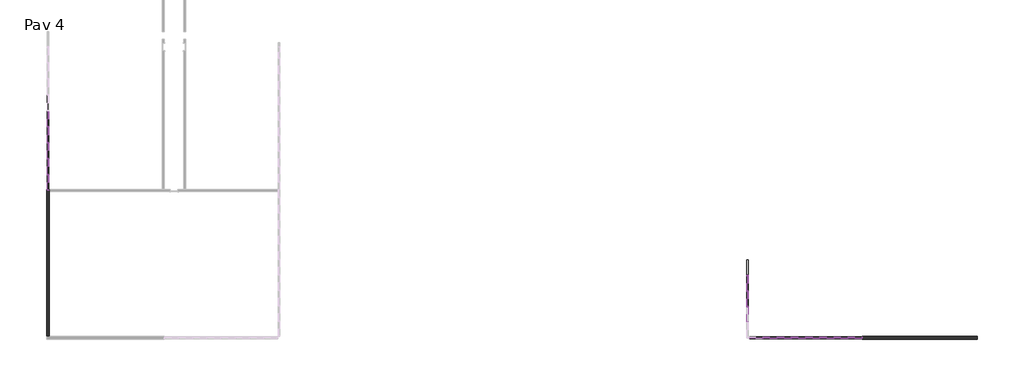
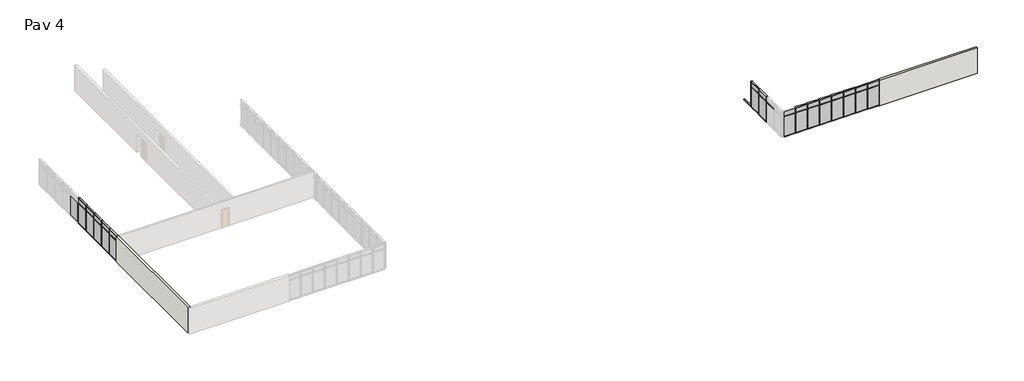
# One storey, part 2 of 12: 77 members, 31 plates, 2 walls.
"""IFC4 building model written with IfcOpenShell, lengths in millimetres."""

import ifcopenshell
import ifcopenshell.guid

model = None  # the IFC model being written
_history = None  # IfcOwnerHistory: only IFC2X3 demands one
_inside = {}  # id of a spatial element -> (the spatial element, [elements in it])
_under = {}  # id of a project, library or spatial element -> (it, [spatial elements below it])
_declared = {}  # id of a project -> (the project, [libraries it declares])
_typed = {}  # id of a type object -> (the type object, [elements of that type])
_made_of = {}  # id of a material, layer set ... -> (it, [elements and type objects made of it])


def new_model(schema):
    """Start an empty IFC model of exactly this schema.

    Asked for "IFC4X3", IfcOpenShell would pick the latest addendum, in which some entities
    have other attributes; the version numbers below select the first issue.
    IFC2X3 requires an IfcOwnerHistory on every rooted entity: one is made here for all.
    """
    global model, _history
    if schema == "IFC4X3":
        model = ifcopenshell.file(schema_version=(4, 3, 0, 0))
    else:
        model = ifcopenshell.file(schema=schema)
    _inside.clear()
    _under.clear()
    _declared.clear()
    _typed.clear()
    _made_of.clear()
    _history = None
    if model.schema == "IFC2X3":
        org = make("IfcOrganization", Name="unknown")
        user = make(
            "IfcPersonAndOrganization",
            ThePerson=make("IfcPerson", FamilyName="unknown"),
            TheOrganization=org,
        )
        app = make(
            "IfcApplication",
            ApplicationDeveloper=org,
            Version="unknown",
            ApplicationFullName="unknown",
            ApplicationIdentifier="unknown",
        )
        _history = make(
            "IfcOwnerHistory",
            OwningUser=user,
            OwningApplication=app,
            ChangeAction="ADDED",
            CreationDate=0,
        )
    return model


def make(cls, **values):
    """One entity of the class cls with the attributes given. An attribute that is None is left unset."""
    return model.create_entity(
        cls, **{name: value for name, value in values.items() if value is not None}
    )


def rooted(cls, **values):
    """An entity with a GlobalId (a new one), such as an element, a storey or a relation."""
    return make(cls, GlobalId=ifcopenshell.guid.new(), OwnerHistory=_history, **values)


def si_unit(unit_type, name, prefix=None):
    """IfcSIUnit, for example si_unit("LENGTHUNIT", "METRE", prefix="MILLI")."""
    return make("IfcSIUnit", UnitType=unit_type, Prefix=prefix, Name=name)


def assignment(units):
    """IfcUnitAssignment: the units of a project."""
    return None if units is None else make("IfcUnitAssignment", Units=units)


def point(xyz):
    """IfcCartesianPoint."""
    return None if xyz is None else make("IfcCartesianPoint", Coordinates=xyz)


def direction(xyz):
    """IfcDirection."""
    return None if xyz is None else make("IfcDirection", DirectionRatios=xyz)


def frame(location, z_axis=None, x_axis=None):
    """IfcAxis2Placement3D, a coordinate frame: its origin and axes. An axis left out is left unset."""
    return make(
        "IfcAxis2Placement3D",
        Location=point(location),
        Axis=direction(z_axis),
        RefDirection=direction(x_axis),
    )


def origin():
    """The frame at (0, 0, 0) with its axes left unset."""
    return frame((0.0, 0.0, 0.0))


def origin_with_axes():
    """The frame at (0, 0, 0) with the z axis (0, 0, 1) and the x axis (1, 0, 0) written out."""
    return frame((0.0, 0.0, 0.0), z_axis=(0.0, 0.0, 1.0), x_axis=(1.0, 0.0, 0.0))


def place(relative_to, where):
    """IfcLocalPlacement: puts the frame where relative to a parent placement (None: the world)."""
    return make(
        "IfcLocalPlacement", PlacementRelTo=relative_to, RelativePlacement=where
    )


def context(
    kind, dimensions, precision=None, world=None, true_north=None, identifier=None
):
    """IfcGeometricRepresentationContext, for example the 3D "Model" context."""
    return make(
        "IfcGeometricRepresentationContext",
        ContextIdentifier=identifier,
        ContextType=kind,
        CoordinateSpaceDimension=dimensions,
        Precision=precision,
        WorldCoordinateSystem=world,
        TrueNorth=true_north,
    )


def project(units=None, contexts=None):
    """IfcProject with its units and contexts."""
    return rooted(
        "IfcProject",
        Name="project",
        RepresentationContexts=contexts,
        UnitsInContext=assignment(units),
    )


def spatial(cls, under=None, at=None, **own):
    """A site, building, storey or space (cls), placed at a placement, below another one or the project."""
    s = rooted(cls, ObjectPlacement=at, **own)
    if under is not None:
        _under.setdefault(under.id(), (under, []))[1].append(s)
    return s


def polyline(points):
    """IfcPolyline through the points."""
    return make("IfcPolyline", Points=[point(p) for p in points])


def outline(outer, holes=None, kind="AREA"):
    """IfcArbitraryClosedProfileDef: a profile drawn as a closed curve; with holes, ...WithVoids."""
    if holes is None:
        return make("IfcArbitraryClosedProfileDef", ProfileType=kind, OuterCurve=outer)
    return make(
        "IfcArbitraryProfileDefWithVoids",
        ProfileType=kind,
        OuterCurve=outer,
        InnerCurves=holes,
    )


def extrude(swept, where, along, depth):
    """IfcExtrudedAreaSolid: the profile swept, set in the frame where, extruded along a direction by depth."""
    return make(
        "IfcExtrudedAreaSolid",
        SweptArea=swept,
        Position=where,
        ExtrudedDirection=direction(along),
        Depth=depth,
    )


def faces_of(points, faces, orient=None, outer=None):
    """IfcFace entities. A face is a list of loops; a loop is a list of indices into points, from 0.

    orient and outer hold one flag for each loop. By default every Orientation is true, the
    first loop of a face is its IfcFaceOuterBound and the others are IfcFaceBound.
    """
    made = []
    for i, loops in enumerate(faces):
        bounds = []
        for j, loop in enumerate(loops):
            is_outer = j == 0 if outer is None else outer[i][j]
            bounds.append(
                make(
                    "IfcFaceOuterBound" if is_outer else "IfcFaceBound",
                    Bound=make("IfcPolyLoop", Polygon=[points[k] for k in loop]),
                    Orientation=True if orient is None else orient[i][j],
                )
            )
        made.append(make("IfcFace", Bounds=bounds))
    return made


def faceted_brep(points, faces, orient=None, outer=None, voids=None):
    """IfcFacetedBrep: a solid bounded by flat faces; with voids (closed shells), ...WithVoids."""
    shared = [point(p) for p in points]
    hull = make("IfcClosedShell", CfsFaces=faces_of(shared, faces, orient, outer))
    if voids is None:
        return make("IfcFacetedBrep", Outer=hull)
    return make(
        "IfcFacetedBrepWithVoids",
        Outer=hull,
        Voids=[
            make(cls, CfsFaces=faces_of(shared, fs, o, b)) for cls, fs, o, b in voids
        ],
    )


def shape(context_of_items, identifier, shape_type, items):
    """IfcShapeRepresentation: the items that make up one representation, for example the "Body"."""
    return make(
        "IfcShapeRepresentation",
        ContextOfItems=context_of_items,
        RepresentationIdentifier=identifier,
        RepresentationType=shape_type,
        Items=items,
    )


def source(mapping_origin, context_of_items, identifier, shape_type, items):
    """IfcRepresentationMap: a shape defined once, which mapped items show again and again."""
    return make(
        "IfcRepresentationMap",
        MappingOrigin=mapping_origin,
        MappedRepresentation=shape(context_of_items, identifier, shape_type, items),
    )


def transform(
    local_origin,
    x_axis=None,
    y_axis=None,
    z_axis=None,
    scale=None,
    scale2=None,
    scale3=None,
    uniform=True,
):
    """IfcCartesianTransformationOperator3D, or its non-uniform kind. x_axis, y_axis, z_axis: its Axis1, 2, 3."""
    if uniform:
        return make(
            "IfcCartesianTransformationOperator3D",
            Axis1=direction(x_axis),
            Axis2=direction(y_axis),
            LocalOrigin=point(local_origin),
            Scale=scale,
            Axis3=direction(z_axis),
        )
    return make(
        "IfcCartesianTransformationOperator3DnonUniform",
        Axis1=direction(x_axis),
        Axis2=direction(y_axis),
        LocalOrigin=point(local_origin),
        Scale=scale,
        Axis3=direction(z_axis),
        Scale2=scale2,
        Scale3=scale3,
    )


def mapped(mapping_source, mapping_target):
    """IfcMappedItem: shows the shape of a source again, moved by a transform."""
    return make(
        "IfcMappedItem", MappingSource=mapping_source, MappingTarget=mapping_target
    )


def made_of(thing, what):
    """Note that an element or type object is made of a material, layer set ...; save() writes the relation."""
    if what is not None:
        _made_of.setdefault(what.id(), (what, []))[1].append(thing)
    return thing


def element(
    cls,
    number,
    at=None,
    inside=None,
    cuts=None,
    type_object=None,
    material=None,
    context=None,
    identifier="Body",
    shape_type=None,
    held_by="IfcProductDefinitionShape",
    body=None,
    shapes=None,
    **own,
):
    """One element of the class cls, such as IfcWall. Its Tag is "e" and its number.

    at: its placement. inside: the storey or other place that contains it. cuts: it is an
    opening in that element (IfcRelVoidsElement). A single representation is given by context,
    identifier, shape_type and body (its items); several are given by shapes. held_by: the class
    of the entity that holds the representations. save() writes the other relations.
    """
    e = rooted(cls, Tag="e%d" % number, ObjectPlacement=at, **own)
    if body is not None:
        shapes = [shape(context, identifier, shape_type, body)]
    if shapes is not None:
        e.Representation = make(held_by, Representations=shapes)
    if inside is not None:
        _inside.setdefault(inside.id(), (inside, []))[1].append(e)
    if cuts is not None:
        rooted(
            "IfcRelVoidsElement", RelatingBuildingElement=cuts, RelatedOpeningElement=e
        )
    if type_object is not None:
        _typed.setdefault(type_object.id(), (type_object, []))[1].append(e)
    return made_of(e, material)


def aggregate(whole, parts):
    """IfcRelAggregates: a whole, such as a stair, and the parts it consists of."""
    return rooted("IfcRelAggregates", RelatingObject=whole, RelatedObjects=parts)


def save(model, path):
    """Write the relations noted so far, then the file.

    IfcRelAggregates (storeys below a building ...), IfcRelContainedInSpatialStructure (elements
    in a storey), IfcRelDefinesByType, IfcRelAssociatesMaterial and IfcRelDeclares: one each for
    every whole, place, type object, material and project.
    """
    for whole, parts in _under.values():
        aggregate(whole, parts)
    for where, things in _inside.values():
        rooted(
            "IfcRelContainedInSpatialStructure",
            RelatedElements=things,
            RelatingStructure=where,
        )
    for kind, things in _typed.values():
        rooted("IfcRelDefinesByType", RelatedObjects=things, RelatingType=kind)
    for what, things in _made_of.values():
        rooted("IfcRelAssociatesMaterial", RelatedObjects=things, RelatingMaterial=what)
    for by, libraries in _declared.values():
        rooted("IfcRelDeclares", RelatingContext=by, RelatedDefinitions=libraries)
    model.write(path)


def rectangular_mullion_50_x_150mm_6225e4e3(model_context):
    return source(origin(), model_context, "Body", "SweptSolid", [
        extrude(outline(polyline([(25.0, 75.0), (25.0, -75.0), (-25.0, -75.0), (-25.0, 75.0), (25.0, 75.0)])), frame((0.0, 0.0, -2400.0), z_axis=(0.0, 0.0, 1.0), x_axis=(1.0, 0.0, 0.0)), (0.0, 0.0, 1.0), 2400.0),
    ])


def rectangular_mullion_50_x_150mm_662c37b1(model_context):
    return source(origin(), model_context, "Body", "SweptSolid", [
        extrude(outline(polyline([(0.0, 75.0), (0.0, -75.0), (-50.0, -75.0), (-50.0, 75.0), (0.0, 75.0)])), frame((0.0, 0.0, -2400.0), z_axis=(0.0, 0.0, 1.0), x_axis=(1.0, 0.0, 0.0)), (0.0, 0.0, 1.0), 2400.0),
    ])


def rectangular_mullion_50_x_150mm_7c7b8d17(model_context):
    return source(origin(), model_context, "Body", "SweptSolid", [
        extrude(outline(polyline([(0.0, 75.0), (0.0, -75.0), (-50.0, -75.0), (-50.0, 75.0), (0.0, 75.0)])), frame((0.0, 0.0, -1423.6842105), z_axis=(0.0, 0.0, 1.0), x_axis=(1.0, 0.0, 0.0)), (0.0, 0.0, 1.0), 1423.6842105),
    ])


def rectangular_mullion_50_x_150mm_27298aca(model_context):
    return source(origin(), model_context, "Body", "SweptSolid", [
        extrude(outline(polyline([(25.0, 75.0), (25.0, -75.0), (-25.0, -75.0), (-25.0, 75.0), (25.0, 75.0)])), frame((0.0, 0.0, -1423.6842105), z_axis=(0.0, 0.0, 1.0), x_axis=(1.0, 0.0, 0.0)), (0.0, 0.0, 1.0), 1423.6842105),
    ])


def rectangular_mullion_50_x_150mm_59cbe5eb(model_context):
    return source(origin(), model_context, "Body", "SweptSolid", [
        extrude(outline(polyline([(0.0, 75.0), (0.0, -75.0), (-50.0, -75.0), (-50.0, 75.0), (0.0, 75.0)])), frame((0.0, 0.0, -1262.5), z_axis=(0.0, 0.0, 1.0), x_axis=(1.0, 0.0, 0.0)), (0.0, 0.0, 1.0), 1262.5),
    ])


def rectangular_mullion_50_x_150mm_72ba9142(model_context):
    return source(origin(), model_context, "Body", "SweptSolid", [
        extrude(outline(polyline([(0.0, 75.0), (0.0, -75.0), (-50.0, -75.0), (-50.0, 75.0), (0.0, 75.0)])), frame((0.0, 0.0, -1287.5), z_axis=(0.0, 0.0, 1.0), x_axis=(1.0, 0.0, 0.0)), (0.0, 0.0, 1.0), 1287.5),
    ])


def rectangular_mullion_50_x_150mm_aec1dccf(model_context):
    return source(origin(), model_context, "Body", "SweptSolid", [
        extrude(outline(polyline([(25.0, 75.0), (25.0, -75.0), (-25.0, -75.0), (-25.0, 75.0), (25.0, 75.0)])), frame((0.0, 0.0, -1262.5), z_axis=(0.0, 0.0, 1.0), x_axis=(1.0, 0.0, 0.0)), (0.0, 0.0, 1.0), 1262.5),
    ])


def rectangular_mullion_50_x_150mm_9d32843e(model_context):
    return source(origin(), model_context, "Body", "SweptSolid", [
        extrude(outline(polyline([(25.0, 75.0), (25.0, -75.0), (-25.0, -75.0), (-25.0, 75.0), (25.0, 75.0)])), frame((0.0, 0.0, -1287.5), z_axis=(0.0, 0.0, 1.0), x_axis=(1.0, 0.0, 0.0)), (0.0, 0.0, 1.0), 1287.5),
    ])


def rectangular_mullion_50_x_150mm_68b3818a(model_context):
    return source(origin(), model_context, "Body", "SweptSolid", [
        extrude(outline(polyline([(25.0, 75.0), (25.0, -75.0), (-25.0, -75.0), (-25.0, 75.0), (25.0, 75.0)])), frame((0.0, 0.0, -600.0), z_axis=(0.0, 0.0, 1.0), x_axis=(1.0, 0.0, 0.0)), (0.0, 0.0, 1.0), 600.0),
    ])


def rectangular_mullion_50_x_150mm_64d38db8(model_context):
    return source(origin(), model_context, "Body", "SweptSolid", [
        extrude(outline(polyline([(0.0, 75.0), (0.0, -75.0), (-50.0, -75.0), (-50.0, 75.0), (0.0, 75.0)])), frame((0.0, 0.0, -600.0), z_axis=(0.0, 0.0, 1.0), x_axis=(1.0, 0.0, 0.0)), (0.0, 0.0, 1.0), 600.0),
    ])


def rectangular_mullion_50_x_150mm_8c5504e9(model_context):
    return source(origin(), model_context, "Body", "SweptSolid", [
        extrude(outline(polyline([(0.0, 75.0), (0.0, -75.0), (-50.0, -75.0), (-50.0, 75.0), (0.0, 75.0)])), frame((0.0, 0.0, -1430.004786), z_axis=(0.0, 0.0, 1.0), x_axis=(1.0, 0.0, 0.0)), (0.0, 0.0, 1.0), 1430.004786),
    ])


def rectangular_mullion_50_x_150mm_08838235(model_context):
    return source(origin(), model_context, "Body", "SweptSolid", [
        extrude(outline(polyline([(0.0, 75.0), (0.0, -75.0), (-50.0, -75.0), (-50.0, 75.0), (0.0, 75.0)])), frame((0.0, 0.0, -1455.004786), z_axis=(0.0, 0.0, 1.0), x_axis=(1.0, 0.0, 0.0)), (0.0, 0.0, 1.0), 1455.004786),
    ])


def rectangular_mullion_50_x_150mm_89597607(model_context):
    return source(origin(), model_context, "Body", "SweptSolid", [
        extrude(outline(polyline([(25.0, 75.0), (25.0, -75.0), (-25.0, -75.0), (-25.0, 75.0), (25.0, 75.0)])), frame((0.0, 0.0, -1430.004786), z_axis=(0.0, 0.0, 1.0), x_axis=(1.0, 0.0, 0.0)), (0.0, 0.0, 1.0), 1430.004786),
    ])


def rectangular_mullion_50_x_150mm_0216ed1d(model_context):
    return source(origin(), model_context, "Body", "SweptSolid", [
        extrude(outline(polyline([(25.0, 75.0), (25.0, -75.0), (-25.0, -75.0), (-25.0, 75.0), (25.0, 75.0)])), frame((0.0, 0.0, -1455.004786), z_axis=(0.0, 0.0, 1.0), x_axis=(1.0, 0.0, 0.0)), (0.0, 0.0, 1.0), 1455.004786),
    ])


def system_panel_glazed_e350fe68(model_context):
    return source(origin(), model_context, "Body", "SweptSolid", [
        extrude(outline(polyline([(711.8421053, 24.5), (-711.8421053, 24.5), (-711.8421053, 49.5), (711.8421053, 49.5), (711.8421053, 24.5)])), origin_with_axes(), (0.0, 0.0, 1.0), 2325.0),
    ])


def system_panel_glazed_5dd155e4(model_context):
    return source(origin(), model_context, "Body", "SweptSolid", [
        extrude(outline(polyline([(631.25, 24.5), (-631.25, 24.5), (-631.25, 49.5), (631.25, 49.5), (631.25, 24.5)])), origin_with_axes(), (0.0, 0.0, 1.0), 2325.0),
    ])


def system_panel_glazed_bb5f2c3c(model_context):
    return source(origin(), model_context, "Body", "SweptSolid", [
        extrude(outline(polyline([(643.75, 24.5), (-643.75, 24.5), (-643.75, 49.5), (643.75, 49.5), (643.75, 24.5)])), origin_with_axes(), (0.0, 0.0, 1.0), 2325.0),
    ])


def system_panel_glazed_1a448b86(model_context):
    return source(origin(), model_context, "Body", "SweptSolid", [
        extrude(outline(polyline([(715.002393, 24.5), (-715.002393, 24.5), (-715.002393, 49.5), (715.002393, 49.5), (715.002393, 24.5)])), origin_with_axes(), (0.0, 0.0, 1.0), 2325.0),
    ])


def system_panel_glazed_10c4ced8(model_context):
    return source(origin(), model_context, "Body", "SweptSolid", [
        extrude(outline(polyline([(727.502393, 24.5), (-727.502393, 24.5), (-727.502393, 49.5), (727.502393, 49.5), (727.502393, 24.5)])), origin_with_axes(), (0.0, 0.0, 1.0), 2325.0),
    ])


def system_panel_glazed_02dfb2dd(model_context):
    return source(origin(), model_context, "Body", "SweptSolid", [
        extrude(outline(polyline([(631.25, 24.5), (-631.25, 24.5), (-631.25, 49.5), (631.25, 49.5), (631.25, 24.5)])), origin_with_axes(), (0.0, 0.0, 1.0), 525.0),
    ])


def system_panel_glazed_a7b8456a(model_context):
    return source(origin(), model_context, "Body", "SweptSolid", [
        extrude(outline(polyline([(643.75, 24.5), (-643.75, 24.5), (-643.75, 49.5), (643.75, 49.5), (643.75, 24.5)])), origin_with_axes(), (0.0, 0.0, 1.0), 525.0),
    ])


def system_panel_glazed_b8c7c870(model_context):
    return source(origin(), model_context, "Body", "SweptSolid", [
        extrude(outline(polyline([(711.8421053, 24.5), (-711.8421053, 24.5), (-711.8421053, 49.5), (711.8421053, 49.5), (711.8421053, 24.5)])), origin_with_axes(), (0.0, 0.0, 1.0), 525.0),
    ])


def system_panel_glazed_cd85d9b8(model_context):
    return source(origin(), model_context, "Body", "SweptSolid", [
        extrude(outline(polyline([(715.002393, 24.5), (-715.002393, 24.5), (-715.002393, 49.5), (715.002393, 49.5), (715.002393, 24.5)])), origin_with_axes(), (0.0, 0.0, 1.0), 525.0),
    ])


def system_panel_glazed_a34e629e(model_context):
    return source(origin(), model_context, "Body", "SweptSolid", [
        extrude(outline(polyline([(727.502393, 24.5), (-727.502393, 24.5), (-727.502393, 49.5), (727.502393, 49.5), (727.502393, 24.5)])), origin_with_axes(), (0.0, 0.0, 1.0), 525.0),
    ])


model = new_model("IFC4")

# Units and contexts
model_context = context("Model", 3, world=origin())
ifc_project = project(units=[si_unit("LENGTHUNIT", "METRE", prefix="MILLI")], contexts=[model_context])

# Site, building, storey
site = spatial("IfcSite", under=ifc_project)
building = spatial("IfcBuilding", under=site)
storey = spatial("IfcBuildingStorey", under=building, Name="Pav 4", Elevation=16000.0)

# Members
placement = place(None, origin())
rectangular_mullion_50_x_150mm_shape = rectangular_mullion_50_x_150mm_6225e4e3(model_context)
element("IfcMember", 1, ObjectType="Rectangular Mullion : 50 x 150mm", at=placement, inside=storey, context=model_context, shape_type="MappedRepresentation", body=[
    mapped(rectangular_mullion_50_x_150mm_shape, transform((40900.1359883, -6407.6561793, 16000.0), x_axis=(-1.0, 0.0, 0.0), y_axis=(0.0, 1.0, 0.0), z_axis=(0.0, 0.0, -1.0))),
])
element("IfcMember", 2, ObjectType="Rectangular Mullion : 50 x 150mm", at=placement, inside=storey, context=model_context, shape_type="MappedRepresentation", body=[
    mapped(rectangular_mullion_50_x_150mm_shape, transform((39562.6359883, -6407.6561793, 16000.0), x_axis=(-1.0, 0.0, 0.0), y_axis=(0.0, 1.0, 0.0), z_axis=(0.0, 0.0, -1.0))),
])
element("IfcMember", 3, ObjectType="Rectangular Mullion : 50 x 150mm", at=placement, inside=storey, context=model_context, shape_type="MappedRepresentation", body=[
    mapped(rectangular_mullion_50_x_150mm_shape, transform((38225.1359883, -6407.6561793, 16000.0), x_axis=(-1.0, 0.0, 0.0), y_axis=(0.0, 1.0, 0.0), z_axis=(0.0, 0.0, -1.0))),
])
element("IfcMember", 4, ObjectType="Rectangular Mullion : 50 x 150mm", at=placement, inside=storey, context=model_context, shape_type="MappedRepresentation", body=[
    mapped(rectangular_mullion_50_x_150mm_shape, transform((36887.6359883, -6407.6561793, 16000.0), x_axis=(-1.0, 0.0, 0.0), y_axis=(0.0, 1.0, 0.0), z_axis=(0.0, 0.0, -1.0))),
])
element("IfcMember", 5, ObjectType="Rectangular Mullion : 50 x 150mm", at=placement, inside=storey, context=model_context, shape_type="MappedRepresentation", body=[
    mapped(rectangular_mullion_50_x_150mm_shape, transform((35550.1359883, -6407.6561793, 16000.0), x_axis=(-1.0, 0.0, 0.0), y_axis=(0.0, 1.0, 0.0), z_axis=(0.0, 0.0, -1.0))),
])
element("IfcMember", 6, ObjectType="Rectangular Mullion : 50 x 150mm", at=placement, inside=storey, context=model_context, shape_type="MappedRepresentation", body=[
    mapped(rectangular_mullion_50_x_150mm_shape, transform((34212.6359883, -6407.6561793, 16000.0), x_axis=(-1.0, 0.0, 0.0), y_axis=(0.0, 1.0, 0.0), z_axis=(0.0, 0.0, -1.0))),
])
element("IfcMember", 7, ObjectType="Rectangular Mullion : 50 x 150mm", at=placement, inside=storey, context=model_context, shape_type="MappedRepresentation", body=[
    mapped(rectangular_mullion_50_x_150mm_shape, transform((32875.1359883, -6407.6561793, 16000.0), x_axis=(-1.0, 0.0, 0.0), y_axis=(0.0, 1.0, 0.0), z_axis=(0.0, 0.0, -1.0))),
])
element("IfcMember", 8, ObjectType="Rectangular Mullion : 50 x 150mm", at=placement, inside=storey, context=model_context, shape_type="MappedRepresentation", body=[
    mapped(rectangular_mullion_50_x_150mm_shape, transform((31437.6359883, -3460.2877583, 16000.0), x_axis=(0.0, 1.0, 0.0), y_axis=(1.0, 0.0, 0.0), z_axis=(0.0, 0.0, -1.0))),
])
element("IfcMember", 9, ObjectType="Rectangular Mullion : 50 x 150mm", at=placement, inside=storey, context=model_context, shape_type="MappedRepresentation", body=[
    mapped(rectangular_mullion_50_x_150mm_shape, transform((31437.6359883, -1986.6035478, 16000.0), x_axis=(0.0, 1.0, 0.0), y_axis=(1.0, 0.0, 0.0), z_axis=(0.0, 0.0, -1.0))),
])
element("IfcMember", 10, ObjectType="Rectangular Mullion : 50 x 150mm", at=placement, inside=storey, context=model_context, shape_type="MappedRepresentation", body=[
    mapped(rectangular_mullion_50_x_150mm_shape, transform((31437.6359883, -512.9193372, 16000.0), x_axis=(0.0, 1.0, 0.0), y_axis=(1.0, 0.0, 0.0), z_axis=(0.0, 0.0, -1.0))),
])
element("IfcMember", 11, ObjectType="Rectangular Mullion : 50 x 150mm", at=placement, inside=storey, context=model_context, shape_type="MappedRepresentation", body=[
    mapped(rectangular_mullion_50_x_150mm_shape, transform((-34562.3640117, 8997.3486066, 16000.0), x_axis=(0.0, 1.0, 0.0), y_axis=(1.0, 0.0, 0.0), z_axis=(0.0, 0.0, -1.0))),
])
element("IfcMember", 12, ObjectType="Rectangular Mullion : 50 x 150mm", at=placement, inside=storey, context=model_context, shape_type="MappedRepresentation", body=[
    mapped(rectangular_mullion_50_x_150mm_shape, transform((-34562.3640117, 10502.3533926, 16000.0), x_axis=(0.0, 1.0, 0.0), y_axis=(1.0, 0.0, 0.0), z_axis=(0.0, 0.0, -1.0))),
])
element("IfcMember", 13, ObjectType="Rectangular Mullion : 50 x 150mm", at=placement, inside=storey, context=model_context, shape_type="MappedRepresentation", body=[
    mapped(rectangular_mullion_50_x_150mm_shape, transform((-34562.3640117, 12007.3581786, 16000.0), x_axis=(0.0, 1.0, 0.0), y_axis=(1.0, 0.0, 0.0), z_axis=(0.0, 0.0, -1.0))),
])
element("IfcMember", 14, ObjectType="Rectangular Mullion : 50 x 150mm", at=placement, inside=storey, context=model_context, shape_type="MappedRepresentation", body=[
    mapped(rectangular_mullion_50_x_150mm_shape, transform((-34562.3640117, 13512.3629645, 16000.0), x_axis=(0.0, 1.0, 0.0), y_axis=(1.0, 0.0, 0.0), z_axis=(0.0, 0.0, -1.0))),
])
rectangular_mullion_50_x_150mm_2_shape = rectangular_mullion_50_x_150mm_662c37b1(model_context)
element("IfcMember", 15, ObjectType="Rectangular Mullion : 50 x 150mm", at=placement, inside=storey, context=model_context, shape_type="MappedRepresentation", body=[
    mapped(rectangular_mullion_50_x_150mm_2_shape, transform((42237.6359883, -6407.6561793, 18400.0), x_axis=(1.0, 0.0, 0.0), y_axis=(0.0, 1.0, 0.0), z_axis=(0.0, 0.0, 1.0))),
])
element("IfcMember", 16, ObjectType="Rectangular Mullion : 50 x 150mm", at=placement, inside=storey, context=model_context, shape_type="MappedRepresentation", body=[
    mapped(rectangular_mullion_50_x_150mm_2_shape, transform((-34562.3640117, 7492.3438207, 18400.0), x_axis=(0.0, -1.0, 0.0), y_axis=(1.0, 0.0, 0.0), z_axis=(0.0, 0.0, 1.0))),
])
rectangular_mullion_50_x_150mm_3_shape = rectangular_mullion_50_x_150mm_7c7b8d17(model_context)
element("IfcMember", 17, ObjectType="Rectangular Mullion : 50 x 150mm", at=placement, inside=storey, context=model_context, shape_type="MappedRepresentation", body=[
    mapped(rectangular_mullion_50_x_150mm_3_shape, transform((31437.6359883, -2011.6035478, 19000.0), x_axis=(0.0, 0.0, 1.0), y_axis=(1.0, 0.0, 0.0), z_axis=(0.0, 1.0, 0.0))),
])
element("IfcMember", 18, ObjectType="Rectangular Mullion : 50 x 150mm", at=placement, inside=storey, context=model_context, shape_type="MappedRepresentation", body=[
    mapped(rectangular_mullion_50_x_150mm_3_shape, transform((31437.6359883, -537.9193372, 19000.0), x_axis=(0.0, 0.0, 1.0), y_axis=(1.0, 0.0, 0.0), z_axis=(0.0, 1.0, 0.0))),
])
element("IfcMember", 19, ObjectType="Rectangular Mullion : 50 x 150mm", at=placement, inside=storey, context=model_context, shape_type="MappedRepresentation", body=[
    mapped(rectangular_mullion_50_x_150mm_3_shape, transform((31437.6359883, -3435.2877583, 16000.0), x_axis=(0.0, 0.0, -1.0), y_axis=(1.0, 0.0, 0.0), z_axis=(0.0, -1.0, 0.0))),
])
element("IfcMember", 20, ObjectType="Rectangular Mullion : 50 x 150mm", at=placement, inside=storey, context=model_context, shape_type="MappedRepresentation", body=[
    mapped(rectangular_mullion_50_x_150mm_3_shape, transform((31437.6359883, -1961.6035478, 16000.0), x_axis=(0.0, 0.0, -1.0), y_axis=(1.0, 0.0, 0.0), z_axis=(0.0, -1.0, 0.0))),
])
element("IfcMember", 21, ObjectType="Rectangular Mullion : 50 x 150mm", at=placement, inside=storey, context=model_context, shape_type="MappedRepresentation", body=[
    mapped(rectangular_mullion_50_x_150mm_3_shape, transform((31437.6359883, -487.9193372, 16000.0), x_axis=(0.0, 0.0, -1.0), y_axis=(1.0, 0.0, 0.0), z_axis=(0.0, -1.0, 0.0))),
])
rectangular_mullion_50_x_150mm_4_shape = rectangular_mullion_50_x_150mm_27298aca(model_context)
element("IfcMember", 22, ObjectType="Rectangular Mullion : 50 x 150mm", at=placement, inside=storey, context=model_context, shape_type="MappedRepresentation", body=[
    mapped(rectangular_mullion_50_x_150mm_4_shape, transform((31437.6359883, -3485.2877583, 18400.0), x_axis=(0.0, 0.0, 1.0), y_axis=(1.0, 0.0, 0.0), z_axis=(0.0, 1.0, 0.0))),
])
element("IfcMember", 23, ObjectType="Rectangular Mullion : 50 x 150mm", at=placement, inside=storey, context=model_context, shape_type="MappedRepresentation", body=[
    mapped(rectangular_mullion_50_x_150mm_4_shape, transform((31437.6359883, -2011.6035478, 18400.0), x_axis=(0.0, 0.0, 1.0), y_axis=(1.0, 0.0, 0.0), z_axis=(0.0, 1.0, 0.0))),
])
element("IfcMember", 24, ObjectType="Rectangular Mullion : 50 x 150mm", at=placement, inside=storey, context=model_context, shape_type="MappedRepresentation", body=[
    mapped(rectangular_mullion_50_x_150mm_4_shape, transform((31437.6359883, -537.9193372, 18400.0), x_axis=(0.0, 0.0, 1.0), y_axis=(1.0, 0.0, 0.0), z_axis=(0.0, 1.0, 0.0))),
])
rectangular_mullion_50_x_150mm_5_shape = rectangular_mullion_50_x_150mm_59cbe5eb(model_context)
element("IfcMember", 25, ObjectType="Rectangular Mullion : 50 x 150mm", at=placement, inside=storey, context=model_context, shape_type="MappedRepresentation", body=[
    mapped(rectangular_mullion_50_x_150mm_5_shape, transform((40925.1359883, -6407.6561793, 19000.0), x_axis=(0.0, 0.0, 1.0), y_axis=(0.0, 1.0, 0.0), z_axis=(-1.0, 0.0, 0.0))),
])
rectangular_mullion_50_x_150mm_6_shape = rectangular_mullion_50_x_150mm_72ba9142(model_context)
element("IfcMember", 26, ObjectType="Rectangular Mullion : 50 x 150mm", at=placement, inside=storey, context=model_context, shape_type="MappedRepresentation", body=[
    mapped(rectangular_mullion_50_x_150mm_6_shape, transform((39587.6359883, -6407.6561793, 19000.0), x_axis=(0.0, 0.0, 1.0), y_axis=(0.0, 1.0, 0.0), z_axis=(-1.0, 0.0, 0.0))),
])
element("IfcMember", 27, ObjectType="Rectangular Mullion : 50 x 150mm", at=placement, inside=storey, context=model_context, shape_type="MappedRepresentation", body=[
    mapped(rectangular_mullion_50_x_150mm_6_shape, transform((38250.1359883, -6407.6561793, 19000.0), x_axis=(0.0, 0.0, 1.0), y_axis=(0.0, 1.0, 0.0), z_axis=(-1.0, 0.0, 0.0))),
])
element("IfcMember", 28, ObjectType="Rectangular Mullion : 50 x 150mm", at=placement, inside=storey, context=model_context, shape_type="MappedRepresentation", body=[
    mapped(rectangular_mullion_50_x_150mm_6_shape, transform((36912.6359883, -6407.6561793, 19000.0), x_axis=(0.0, 0.0, 1.0), y_axis=(0.0, 1.0, 0.0), z_axis=(-1.0, 0.0, 0.0))),
])
element("IfcMember", 29, ObjectType="Rectangular Mullion : 50 x 150mm", at=placement, inside=storey, context=model_context, shape_type="MappedRepresentation", body=[
    mapped(rectangular_mullion_50_x_150mm_6_shape, transform((35575.1359883, -6407.6561793, 19000.0), x_axis=(0.0, 0.0, 1.0), y_axis=(0.0, 1.0, 0.0), z_axis=(-1.0, 0.0, 0.0))),
])
element("IfcMember", 30, ObjectType="Rectangular Mullion : 50 x 150mm", at=placement, inside=storey, context=model_context, shape_type="MappedRepresentation", body=[
    mapped(rectangular_mullion_50_x_150mm_6_shape, transform((34237.6359883, -6407.6561793, 19000.0), x_axis=(0.0, 0.0, 1.0), y_axis=(0.0, 1.0, 0.0), z_axis=(-1.0, 0.0, 0.0))),
])
element("IfcMember", 31, ObjectType="Rectangular Mullion : 50 x 150mm", at=placement, inside=storey, context=model_context, shape_type="MappedRepresentation", body=[
    mapped(rectangular_mullion_50_x_150mm_6_shape, transform((32900.1359883, -6407.6561793, 19000.0), x_axis=(0.0, 0.0, 1.0), y_axis=(0.0, 1.0, 0.0), z_axis=(-1.0, 0.0, 0.0))),
])
element("IfcMember", 32, ObjectType="Rectangular Mullion : 50 x 150mm", at=placement, inside=storey, context=model_context, shape_type="MappedRepresentation", body=[
    mapped(rectangular_mullion_50_x_150mm_5_shape, transform((42187.6359883, -6407.6561793, 16000.0), x_axis=(0.0, 0.0, -1.0), y_axis=(0.0, 1.0, 0.0), z_axis=(1.0, 0.0, 0.0))),
])
element("IfcMember", 33, ObjectType="Rectangular Mullion : 50 x 150mm", at=placement, inside=storey, context=model_context, shape_type="MappedRepresentation", body=[
    mapped(rectangular_mullion_50_x_150mm_5_shape, transform((32850.1359883, -6407.6561793, 16000.0), x_axis=(0.0, 0.0, -1.0), y_axis=(0.0, 1.0, 0.0), z_axis=(1.0, 0.0, 0.0))),
])
element("IfcMember", 34, ObjectType="Rectangular Mullion : 50 x 150mm", at=placement, inside=storey, context=model_context, shape_type="MappedRepresentation", body=[
    mapped(rectangular_mullion_50_x_150mm_6_shape, transform((40875.1359883, -6407.6561793, 16000.0), x_axis=(0.0, 0.0, -1.0), y_axis=(0.0, 1.0, 0.0), z_axis=(1.0, 0.0, 0.0))),
])
element("IfcMember", 35, ObjectType="Rectangular Mullion : 50 x 150mm", at=placement, inside=storey, context=model_context, shape_type="MappedRepresentation", body=[
    mapped(rectangular_mullion_50_x_150mm_6_shape, transform((39537.6359883, -6407.6561793, 16000.0), x_axis=(0.0, 0.0, -1.0), y_axis=(0.0, 1.0, 0.0), z_axis=(1.0, 0.0, 0.0))),
])
element("IfcMember", 36, ObjectType="Rectangular Mullion : 50 x 150mm", at=placement, inside=storey, context=model_context, shape_type="MappedRepresentation", body=[
    mapped(rectangular_mullion_50_x_150mm_6_shape, transform((38200.1359883, -6407.6561793, 16000.0), x_axis=(0.0, 0.0, -1.0), y_axis=(0.0, 1.0, 0.0), z_axis=(1.0, 0.0, 0.0))),
])
element("IfcMember", 37, ObjectType="Rectangular Mullion : 50 x 150mm", at=placement, inside=storey, context=model_context, shape_type="MappedRepresentation", body=[
    mapped(rectangular_mullion_50_x_150mm_6_shape, transform((36862.6359883, -6407.6561793, 16000.0), x_axis=(0.0, 0.0, -1.0), y_axis=(0.0, 1.0, 0.0), z_axis=(1.0, 0.0, 0.0))),
])
element("IfcMember", 38, ObjectType="Rectangular Mullion : 50 x 150mm", at=placement, inside=storey, context=model_context, shape_type="MappedRepresentation", body=[
    mapped(rectangular_mullion_50_x_150mm_6_shape, transform((35525.1359883, -6407.6561793, 16000.0), x_axis=(0.0, 0.0, -1.0), y_axis=(0.0, 1.0, 0.0), z_axis=(1.0, 0.0, 0.0))),
])
element("IfcMember", 39, ObjectType="Rectangular Mullion : 50 x 150mm", at=placement, inside=storey, context=model_context, shape_type="MappedRepresentation", body=[
    mapped(rectangular_mullion_50_x_150mm_6_shape, transform((34187.6359883, -6407.6561793, 16000.0), x_axis=(0.0, 0.0, -1.0), y_axis=(0.0, 1.0, 0.0), z_axis=(1.0, 0.0, 0.0))),
])
rectangular_mullion_50_x_150mm_7_shape = rectangular_mullion_50_x_150mm_aec1dccf(model_context)
element("IfcMember", 40, ObjectType="Rectangular Mullion : 50 x 150mm", at=placement, inside=storey, context=model_context, shape_type="MappedRepresentation", body=[
    mapped(rectangular_mullion_50_x_150mm_7_shape, transform((40925.1359883, -6407.6561793, 18400.0), x_axis=(0.0, 0.0, 1.0), y_axis=(0.0, 1.0, 0.0), z_axis=(-1.0, 0.0, 0.0))),
])
rectangular_mullion_50_x_150mm_8_shape = rectangular_mullion_50_x_150mm_9d32843e(model_context)
element("IfcMember", 41, ObjectType="Rectangular Mullion : 50 x 150mm", at=placement, inside=storey, context=model_context, shape_type="MappedRepresentation", body=[
    mapped(rectangular_mullion_50_x_150mm_8_shape, transform((39587.6359883, -6407.6561793, 18400.0), x_axis=(0.0, 0.0, 1.0), y_axis=(0.0, 1.0, 0.0), z_axis=(-1.0, 0.0, 0.0))),
])
element("IfcMember", 42, ObjectType="Rectangular Mullion : 50 x 150mm", at=placement, inside=storey, context=model_context, shape_type="MappedRepresentation", body=[
    mapped(rectangular_mullion_50_x_150mm_8_shape, transform((38250.1359883, -6407.6561793, 18400.0), x_axis=(0.0, 0.0, 1.0), y_axis=(0.0, 1.0, 0.0), z_axis=(-1.0, 0.0, 0.0))),
])
element("IfcMember", 43, ObjectType="Rectangular Mullion : 50 x 150mm", at=placement, inside=storey, context=model_context, shape_type="MappedRepresentation", body=[
    mapped(rectangular_mullion_50_x_150mm_8_shape, transform((36912.6359883, -6407.6561793, 18400.0), x_axis=(0.0, 0.0, 1.0), y_axis=(0.0, 1.0, 0.0), z_axis=(-1.0, 0.0, 0.0))),
])
element("IfcMember", 44, ObjectType="Rectangular Mullion : 50 x 150mm", at=placement, inside=storey, context=model_context, shape_type="MappedRepresentation", body=[
    mapped(rectangular_mullion_50_x_150mm_8_shape, transform((35575.1359883, -6407.6561793, 18400.0), x_axis=(0.0, 0.0, 1.0), y_axis=(0.0, 1.0, 0.0), z_axis=(-1.0, 0.0, 0.0))),
])
element("IfcMember", 45, ObjectType="Rectangular Mullion : 50 x 150mm", at=placement, inside=storey, context=model_context, shape_type="MappedRepresentation", body=[
    mapped(rectangular_mullion_50_x_150mm_8_shape, transform((34237.6359883, -6407.6561793, 18400.0), x_axis=(0.0, 0.0, 1.0), y_axis=(0.0, 1.0, 0.0), z_axis=(-1.0, 0.0, 0.0))),
])
element("IfcMember", 46, ObjectType="Rectangular Mullion : 50 x 150mm", at=placement, inside=storey, context=model_context, shape_type="MappedRepresentation", body=[
    mapped(rectangular_mullion_50_x_150mm_8_shape, transform((32900.1359883, -6407.6561793, 18400.0), x_axis=(0.0, 0.0, 1.0), y_axis=(0.0, 1.0, 0.0), z_axis=(-1.0, 0.0, 0.0))),
])
rectangular_mullion_50_x_150mm_9_shape = rectangular_mullion_50_x_150mm_68b3818a(model_context)
element("IfcMember", 47, ObjectType="Rectangular Mullion : 50 x 150mm", at=placement, inside=storey, context=model_context, shape_type="MappedRepresentation", body=[
    mapped(rectangular_mullion_50_x_150mm_9_shape, transform((40900.1359883, -6407.6561793, 18400.0), x_axis=(-1.0, 0.0, 0.0), y_axis=(0.0, 1.0, 0.0), z_axis=(0.0, 0.0, -1.0))),
])
element("IfcMember", 48, ObjectType="Rectangular Mullion : 50 x 150mm", at=placement, inside=storey, context=model_context, shape_type="MappedRepresentation", body=[
    mapped(rectangular_mullion_50_x_150mm_9_shape, transform((39562.6359883, -6407.6561793, 18400.0), x_axis=(-1.0, 0.0, 0.0), y_axis=(0.0, 1.0, 0.0), z_axis=(0.0, 0.0, -1.0))),
])
element("IfcMember", 49, ObjectType="Rectangular Mullion : 50 x 150mm", at=placement, inside=storey, context=model_context, shape_type="MappedRepresentation", body=[
    mapped(rectangular_mullion_50_x_150mm_9_shape, transform((38225.1359883, -6407.6561793, 18400.0), x_axis=(-1.0, 0.0, 0.0), y_axis=(0.0, 1.0, 0.0), z_axis=(0.0, 0.0, -1.0))),
])
element("IfcMember", 50, ObjectType="Rectangular Mullion : 50 x 150mm", at=placement, inside=storey, context=model_context, shape_type="MappedRepresentation", body=[
    mapped(rectangular_mullion_50_x_150mm_9_shape, transform((36887.6359883, -6407.6561793, 18400.0), x_axis=(-1.0, 0.0, 0.0), y_axis=(0.0, 1.0, 0.0), z_axis=(0.0, 0.0, -1.0))),
])
element("IfcMember", 51, ObjectType="Rectangular Mullion : 50 x 150mm", at=placement, inside=storey, context=model_context, shape_type="MappedRepresentation", body=[
    mapped(rectangular_mullion_50_x_150mm_9_shape, transform((35550.1359883, -6407.6561793, 18400.0), x_axis=(-1.0, 0.0, 0.0), y_axis=(0.0, 1.0, 0.0), z_axis=(0.0, 0.0, -1.0))),
])
element("IfcMember", 52, ObjectType="Rectangular Mullion : 50 x 150mm", at=placement, inside=storey, context=model_context, shape_type="MappedRepresentation", body=[
    mapped(rectangular_mullion_50_x_150mm_9_shape, transform((34212.6359883, -6407.6561793, 18400.0), x_axis=(-1.0, 0.0, 0.0), y_axis=(0.0, 1.0, 0.0), z_axis=(0.0, 0.0, -1.0))),
])
element("IfcMember", 53, ObjectType="Rectangular Mullion : 50 x 150mm", at=placement, inside=storey, context=model_context, shape_type="MappedRepresentation", body=[
    mapped(rectangular_mullion_50_x_150mm_9_shape, transform((32875.1359883, -6407.6561793, 18400.0), x_axis=(-1.0, 0.0, 0.0), y_axis=(0.0, 1.0, 0.0), z_axis=(0.0, 0.0, -1.0))),
])
element("IfcMember", 54, ObjectType="Rectangular Mullion : 50 x 150mm", at=placement, inside=storey, context=model_context, shape_type="MappedRepresentation", body=[
    mapped(rectangular_mullion_50_x_150mm_9_shape, transform((31437.6359883, -3460.2877583, 18400.0), x_axis=(0.0, 1.0, 0.0), y_axis=(1.0, 0.0, 0.0), z_axis=(0.0, 0.0, -1.0))),
])
element("IfcMember", 55, ObjectType="Rectangular Mullion : 50 x 150mm", at=placement, inside=storey, context=model_context, shape_type="MappedRepresentation", body=[
    mapped(rectangular_mullion_50_x_150mm_9_shape, transform((31437.6359883, -1986.6035478, 18400.0), x_axis=(0.0, 1.0, 0.0), y_axis=(1.0, 0.0, 0.0), z_axis=(0.0, 0.0, -1.0))),
])
element("IfcMember", 56, ObjectType="Rectangular Mullion : 50 x 150mm", at=placement, inside=storey, context=model_context, shape_type="MappedRepresentation", body=[
    mapped(rectangular_mullion_50_x_150mm_9_shape, transform((31437.6359883, -512.9193372, 18400.0), x_axis=(0.0, 1.0, 0.0), y_axis=(1.0, 0.0, 0.0), z_axis=(0.0, 0.0, -1.0))),
])
element("IfcMember", 57, ObjectType="Rectangular Mullion : 50 x 150mm", at=placement, inside=storey, context=model_context, shape_type="MappedRepresentation", body=[
    mapped(rectangular_mullion_50_x_150mm_9_shape, transform((-34562.3640117, 8997.3486066, 18400.0), x_axis=(0.0, 1.0, 0.0), y_axis=(1.0, 0.0, 0.0), z_axis=(0.0, 0.0, -1.0))),
])
element("IfcMember", 58, ObjectType="Rectangular Mullion : 50 x 150mm", at=placement, inside=storey, context=model_context, shape_type="MappedRepresentation", body=[
    mapped(rectangular_mullion_50_x_150mm_9_shape, transform((-34562.3640117, 10502.3533926, 18400.0), x_axis=(0.0, 1.0, 0.0), y_axis=(1.0, 0.0, 0.0), z_axis=(0.0, 0.0, -1.0))),
])
element("IfcMember", 59, ObjectType="Rectangular Mullion : 50 x 150mm", at=placement, inside=storey, context=model_context, shape_type="MappedRepresentation", body=[
    mapped(rectangular_mullion_50_x_150mm_9_shape, transform((-34562.3640117, 12007.3581786, 18400.0), x_axis=(0.0, 1.0, 0.0), y_axis=(1.0, 0.0, 0.0), z_axis=(0.0, 0.0, -1.0))),
])
element("IfcMember", 60, ObjectType="Rectangular Mullion : 50 x 150mm", at=placement, inside=storey, context=model_context, shape_type="MappedRepresentation", body=[
    mapped(rectangular_mullion_50_x_150mm_9_shape, transform((-34562.3640117, 13512.3629645, 18400.0), x_axis=(0.0, 1.0, 0.0), y_axis=(1.0, 0.0, 0.0), z_axis=(0.0, 0.0, -1.0))),
])
rectangular_mullion_50_x_150mm_10_shape = rectangular_mullion_50_x_150mm_64d38db8(model_context)
element("IfcMember", 61, ObjectType="Rectangular Mullion : 50 x 150mm", at=placement, inside=storey, context=model_context, shape_type="MappedRepresentation", body=[
    mapped(rectangular_mullion_50_x_150mm_10_shape, transform((42237.6359883, -6407.6561793, 19000.0), x_axis=(1.0, 0.0, 0.0), y_axis=(0.0, 1.0, 0.0), z_axis=(0.0, 0.0, 1.0))),
])
element("IfcMember", 62, ObjectType="Rectangular Mullion : 50 x 150mm", at=placement, inside=storey, context=model_context, shape_type="MappedRepresentation", body=[
    mapped(rectangular_mullion_50_x_150mm_10_shape, transform((-34562.3640117, 7492.3438207, 19000.0), x_axis=(0.0, -1.0, 0.0), y_axis=(1.0, 0.0, 0.0), z_axis=(0.0, 0.0, 1.0))),
])
rectangular_mullion_50_x_150mm_11_shape = rectangular_mullion_50_x_150mm_8c5504e9(model_context)
element("IfcMember", 63, ObjectType="Rectangular Mullion : 50 x 150mm", at=placement, inside=storey, context=model_context, shape_type="MappedRepresentation", body=[
    mapped(rectangular_mullion_50_x_150mm_11_shape, transform((-34562.3640117, 8972.3486066, 19000.0), x_axis=(0.0, 0.0, 1.0), y_axis=(1.0, 0.0, 0.0), z_axis=(0.0, 1.0, 0.0))),
])
element("IfcMember", 64, ObjectType="Rectangular Mullion : 50 x 150mm", at=placement, inside=storey, context=model_context, shape_type="MappedRepresentation", body=[
    mapped(rectangular_mullion_50_x_150mm_11_shape, transform((-34562.3640117, 7542.3438207, 16000.0), x_axis=(0.0, 0.0, -1.0), y_axis=(1.0, 0.0, 0.0), z_axis=(0.0, -1.0, 0.0))),
])
rectangular_mullion_50_x_150mm_12_shape = rectangular_mullion_50_x_150mm_08838235(model_context)
element("IfcMember", 65, ObjectType="Rectangular Mullion : 50 x 150mm", at=placement, inside=storey, context=model_context, shape_type="MappedRepresentation", body=[
    mapped(rectangular_mullion_50_x_150mm_12_shape, transform((-34562.3640117, 10477.3533926, 19000.0), x_axis=(0.0, 0.0, 1.0), y_axis=(1.0, 0.0, 0.0), z_axis=(0.0, 1.0, 0.0))),
])
element("IfcMember", 66, ObjectType="Rectangular Mullion : 50 x 150mm", at=placement, inside=storey, context=model_context, shape_type="MappedRepresentation", body=[
    mapped(rectangular_mullion_50_x_150mm_12_shape, transform((-34562.3640117, 11982.3581786, 19000.0), x_axis=(0.0, 0.0, 1.0), y_axis=(1.0, 0.0, 0.0), z_axis=(0.0, 1.0, 0.0))),
])
element("IfcMember", 67, ObjectType="Rectangular Mullion : 50 x 150mm", at=placement, inside=storey, context=model_context, shape_type="MappedRepresentation", body=[
    mapped(rectangular_mullion_50_x_150mm_12_shape, transform((-34562.3640117, 13487.3629645, 19000.0), x_axis=(0.0, 0.0, 1.0), y_axis=(1.0, 0.0, 0.0), z_axis=(0.0, 1.0, 0.0))),
])
element("IfcMember", 68, ObjectType="Rectangular Mullion : 50 x 150mm", at=placement, inside=storey, context=model_context, shape_type="MappedRepresentation", body=[
    mapped(rectangular_mullion_50_x_150mm_12_shape, transform((-34562.3640117, 14992.3677505, 19000.0), x_axis=(0.0, 0.0, 1.0), y_axis=(1.0, 0.0, 0.0), z_axis=(0.0, 1.0, 0.0))),
])
element("IfcMember", 69, ObjectType="Rectangular Mullion : 50 x 150mm", at=placement, inside=storey, context=model_context, shape_type="MappedRepresentation", body=[
    mapped(rectangular_mullion_50_x_150mm_12_shape, transform((-34562.3640117, 9022.3486066, 16000.0), x_axis=(0.0, 0.0, -1.0), y_axis=(1.0, 0.0, 0.0), z_axis=(0.0, -1.0, 0.0))),
])
element("IfcMember", 70, ObjectType="Rectangular Mullion : 50 x 150mm", at=placement, inside=storey, context=model_context, shape_type="MappedRepresentation", body=[
    mapped(rectangular_mullion_50_x_150mm_12_shape, transform((-34562.3640117, 10527.3533926, 16000.0), x_axis=(0.0, 0.0, -1.0), y_axis=(1.0, 0.0, 0.0), z_axis=(0.0, -1.0, 0.0))),
])
element("IfcMember", 71, ObjectType="Rectangular Mullion : 50 x 150mm", at=placement, inside=storey, context=model_context, shape_type="MappedRepresentation", body=[
    mapped(rectangular_mullion_50_x_150mm_12_shape, transform((-34562.3640117, 12032.3581786, 16000.0), x_axis=(0.0, 0.0, -1.0), y_axis=(1.0, 0.0, 0.0), z_axis=(0.0, -1.0, 0.0))),
])
element("IfcMember", 72, ObjectType="Rectangular Mullion : 50 x 150mm", at=placement, inside=storey, context=model_context, shape_type="MappedRepresentation", body=[
    mapped(rectangular_mullion_50_x_150mm_12_shape, transform((-34562.3640117, 13537.3629645, 16000.0), x_axis=(0.0, 0.0, -1.0), y_axis=(1.0, 0.0, 0.0), z_axis=(0.0, -1.0, 0.0))),
])
rectangular_mullion_50_x_150mm_13_shape = rectangular_mullion_50_x_150mm_89597607(model_context)
element("IfcMember", 73, ObjectType="Rectangular Mullion : 50 x 150mm", at=placement, inside=storey, context=model_context, shape_type="MappedRepresentation", body=[
    mapped(rectangular_mullion_50_x_150mm_13_shape, transform((-34562.3640117, 8972.3486066, 18400.0), x_axis=(0.0, 0.0, 1.0), y_axis=(1.0, 0.0, 0.0), z_axis=(0.0, 1.0, 0.0))),
])
rectangular_mullion_50_x_150mm_14_shape = rectangular_mullion_50_x_150mm_0216ed1d(model_context)
element("IfcMember", 74, ObjectType="Rectangular Mullion : 50 x 150mm", at=placement, inside=storey, context=model_context, shape_type="MappedRepresentation", body=[
    mapped(rectangular_mullion_50_x_150mm_14_shape, transform((-34562.3640117, 10477.3533926, 18400.0), x_axis=(0.0, 0.0, 1.0), y_axis=(1.0, 0.0, 0.0), z_axis=(0.0, 1.0, 0.0))),
])
element("IfcMember", 75, ObjectType="Rectangular Mullion : 50 x 150mm", at=placement, inside=storey, context=model_context, shape_type="MappedRepresentation", body=[
    mapped(rectangular_mullion_50_x_150mm_14_shape, transform((-34562.3640117, 11982.3581786, 18400.0), x_axis=(0.0, 0.0, 1.0), y_axis=(1.0, 0.0, 0.0), z_axis=(0.0, 1.0, 0.0))),
])
element("IfcMember", 76, ObjectType="Rectangular Mullion : 50 x 150mm", at=placement, inside=storey, context=model_context, shape_type="MappedRepresentation", body=[
    mapped(rectangular_mullion_50_x_150mm_14_shape, transform((-34562.3640117, 13487.3629645, 18400.0), x_axis=(0.0, 0.0, 1.0), y_axis=(1.0, 0.0, 0.0), z_axis=(0.0, 1.0, 0.0))),
])
element("IfcMember", 77, ObjectType="Rectangular Mullion : 50 x 150mm", at=placement, inside=storey, context=model_context, shape_type="MappedRepresentation", body=[
    mapped(rectangular_mullion_50_x_150mm_14_shape, transform((-34562.3640117, 14992.3677505, 18400.0), x_axis=(0.0, 0.0, 1.0), y_axis=(1.0, 0.0, 0.0), z_axis=(0.0, 1.0, 0.0))),
])

# Plates
system_panel_glazed_shape = system_panel_glazed_e350fe68(model_context)
element("IfcPlate", 78, ObjectType="System Panel : Glazed", at=placement, inside=storey, context=model_context, shape_type="MappedRepresentation", body=[
    mapped(system_panel_glazed_shape, transform((31437.6359883, -2723.445653, 16050.0), x_axis=(0.0, 1.0, 0.0), y_axis=(-1.0, 0.0, 0.0), z_axis=(0.0, 0.0, 1.0))),
])
element("IfcPlate", 79, ObjectType="System Panel : Glazed", at=placement, inside=storey, context=model_context, shape_type="MappedRepresentation", body=[
    mapped(system_panel_glazed_shape, transform((31437.6359883, -1249.7614425, 16050.0), x_axis=(0.0, 1.0, 0.0), y_axis=(-1.0, 0.0, 0.0), z_axis=(0.0, 0.0, 1.0))),
])
system_panel_glazed_2_shape = system_panel_glazed_5dd155e4(model_context)
element("IfcPlate", 80, ObjectType="System Panel : Glazed", at=placement, inside=storey, context=model_context, shape_type="MappedRepresentation", body=[
    mapped(system_panel_glazed_2_shape, transform((41556.3859883, -6407.6561793, 16050.0), x_axis=(-1.0, 0.0, 0.0), y_axis=(0.0, -1.0, 0.0), z_axis=(0.0, 0.0, 1.0))),
])
element("IfcPlate", 81, ObjectType="System Panel : Glazed", at=placement, inside=storey, context=model_context, shape_type="MappedRepresentation", body=[
    mapped(system_panel_glazed_2_shape, transform((32218.8859883, -6407.6561793, 16050.0), x_axis=(-1.0, 0.0, 0.0), y_axis=(0.0, -1.0, 0.0), z_axis=(0.0, 0.0, 1.0))),
])
system_panel_glazed_3_shape = system_panel_glazed_bb5f2c3c(model_context)
element("IfcPlate", 82, ObjectType="System Panel : Glazed", at=placement, inside=storey, context=model_context, shape_type="MappedRepresentation", body=[
    mapped(system_panel_glazed_3_shape, transform((40231.3859883, -6407.6561793, 16050.0), x_axis=(-1.0, 0.0, 0.0), y_axis=(0.0, -1.0, 0.0), z_axis=(0.0, 0.0, 1.0))),
])
element("IfcPlate", 83, ObjectType="System Panel : Glazed", at=placement, inside=storey, context=model_context, shape_type="MappedRepresentation", body=[
    mapped(system_panel_glazed_3_shape, transform((38893.8859883, -6407.6561793, 16050.0), x_axis=(-1.0, 0.0, 0.0), y_axis=(0.0, -1.0, 0.0), z_axis=(0.0, 0.0, 1.0))),
])
element("IfcPlate", 84, ObjectType="System Panel : Glazed", at=placement, inside=storey, context=model_context, shape_type="MappedRepresentation", body=[
    mapped(system_panel_glazed_3_shape, transform((37556.3859883, -6407.6561793, 16050.0), x_axis=(-1.0, 0.0, 0.0), y_axis=(0.0, -1.0, 0.0), z_axis=(0.0, 0.0, 1.0))),
])
element("IfcPlate", 85, ObjectType="System Panel : Glazed", at=placement, inside=storey, context=model_context, shape_type="MappedRepresentation", body=[
    mapped(system_panel_glazed_3_shape, transform((36218.8859883, -6407.6561793, 16050.0), x_axis=(-1.0, 0.0, 0.0), y_axis=(0.0, -1.0, 0.0), z_axis=(0.0, 0.0, 1.0))),
])
element("IfcPlate", 86, ObjectType="System Panel : Glazed", at=placement, inside=storey, context=model_context, shape_type="MappedRepresentation", body=[
    mapped(system_panel_glazed_3_shape, transform((34881.3859883, -6407.6561793, 16050.0), x_axis=(-1.0, 0.0, 0.0), y_axis=(0.0, -1.0, 0.0), z_axis=(0.0, 0.0, 1.0))),
])
element("IfcPlate", 87, ObjectType="System Panel : Glazed", at=placement, inside=storey, context=model_context, shape_type="MappedRepresentation", body=[
    mapped(system_panel_glazed_3_shape, transform((33543.8859883, -6407.6561793, 16050.0), x_axis=(-1.0, 0.0, 0.0), y_axis=(0.0, -1.0, 0.0), z_axis=(0.0, 0.0, 1.0))),
])
system_panel_glazed_4_shape = system_panel_glazed_1a448b86(model_context)
element("IfcPlate", 88, ObjectType="System Panel : Glazed", at=placement, inside=storey, context=model_context, shape_type="MappedRepresentation", body=[
    mapped(system_panel_glazed_4_shape, transform((-34562.3640117, 8257.3462136, 16050.0), x_axis=(0.0, 1.0, 0.0), y_axis=(-1.0, 0.0, 0.0), z_axis=(0.0, 0.0, 1.0))),
])
system_panel_glazed_5_shape = system_panel_glazed_10c4ced8(model_context)
element("IfcPlate", 89, ObjectType="System Panel : Glazed", at=placement, inside=storey, context=model_context, shape_type="MappedRepresentation", body=[
    mapped(system_panel_glazed_5_shape, transform((-34562.3640117, 9749.8509996, 16050.0), x_axis=(0.0, 1.0, 0.0), y_axis=(-1.0, 0.0, 0.0), z_axis=(0.0, 0.0, 1.0))),
])
element("IfcPlate", 90, ObjectType="System Panel : Glazed", at=placement, inside=storey, context=model_context, shape_type="MappedRepresentation", body=[
    mapped(system_panel_glazed_5_shape, transform((-34562.3640117, 11254.8557856, 16050.0), x_axis=(0.0, 1.0, 0.0), y_axis=(-1.0, 0.0, 0.0), z_axis=(0.0, 0.0, 1.0))),
])
element("IfcPlate", 91, ObjectType="System Panel : Glazed", at=placement, inside=storey, context=model_context, shape_type="MappedRepresentation", body=[
    mapped(system_panel_glazed_5_shape, transform((-34562.3640117, 12759.8605715, 16050.0), x_axis=(0.0, 1.0, 0.0), y_axis=(-1.0, 0.0, 0.0), z_axis=(0.0, 0.0, 1.0))),
])
element("IfcPlate", 92, ObjectType="System Panel : Glazed", at=placement, inside=storey, context=model_context, shape_type="MappedRepresentation", body=[
    mapped(system_panel_glazed_5_shape, transform((-34562.3640117, 14264.8653575, 16050.0), x_axis=(0.0, 1.0, 0.0), y_axis=(-1.0, 0.0, 0.0), z_axis=(0.0, 0.0, 1.0))),
])
element("IfcPlate", 93, ObjectType="System Panel : Glazed", at=placement, inside=storey, context=model_context, shape_type="MappedRepresentation", body=[
    mapped(system_panel_glazed_5_shape, transform((-34562.3640117, 15769.8701435, 16050.0), x_axis=(0.0, 1.0, 0.0), y_axis=(-1.0, 0.0, 0.0), z_axis=(0.0, 0.0, 1.0))),
])
system_panel_glazed_6_shape = system_panel_glazed_02dfb2dd(model_context)
element("IfcPlate", 94, ObjectType="System Panel : Glazed", at=placement, inside=storey, context=model_context, shape_type="MappedRepresentation", body=[
    mapped(system_panel_glazed_6_shape, transform((41556.3859883, -6407.6561793, 18425.0), x_axis=(-1.0, 0.0, 0.0), y_axis=(0.0, -1.0, 0.0), z_axis=(0.0, 0.0, 1.0))),
])
element("IfcPlate", 95, ObjectType="System Panel : Glazed", at=placement, inside=storey, context=model_context, shape_type="MappedRepresentation", body=[
    mapped(system_panel_glazed_6_shape, transform((32218.8859883, -6407.6561793, 18425.0), x_axis=(-1.0, 0.0, 0.0), y_axis=(0.0, -1.0, 0.0), z_axis=(0.0, 0.0, 1.0))),
])
system_panel_glazed_7_shape = system_panel_glazed_a7b8456a(model_context)
element("IfcPlate", 96, ObjectType="System Panel : Glazed", at=placement, inside=storey, context=model_context, shape_type="MappedRepresentation", body=[
    mapped(system_panel_glazed_7_shape, transform((40231.3859883, -6407.6561793, 18425.0), x_axis=(-1.0, 0.0, 0.0), y_axis=(0.0, -1.0, 0.0), z_axis=(0.0, 0.0, 1.0))),
])
element("IfcPlate", 97, ObjectType="System Panel : Glazed", at=placement, inside=storey, context=model_context, shape_type="MappedRepresentation", body=[
    mapped(system_panel_glazed_7_shape, transform((38893.8859883, -6407.6561793, 18425.0), x_axis=(-1.0, 0.0, 0.0), y_axis=(0.0, -1.0, 0.0), z_axis=(0.0, 0.0, 1.0))),
])
element("IfcPlate", 98, ObjectType="System Panel : Glazed", at=placement, inside=storey, context=model_context, shape_type="MappedRepresentation", body=[
    mapped(system_panel_glazed_7_shape, transform((37556.3859883, -6407.6561793, 18425.0), x_axis=(-1.0, 0.0, 0.0), y_axis=(0.0, -1.0, 0.0), z_axis=(0.0, 0.0, 1.0))),
])
element("IfcPlate", 99, ObjectType="System Panel : Glazed", at=placement, inside=storey, context=model_context, shape_type="MappedRepresentation", body=[
    mapped(system_panel_glazed_7_shape, transform((36218.8859883, -6407.6561793, 18425.0), x_axis=(-1.0, 0.0, 0.0), y_axis=(0.0, -1.0, 0.0), z_axis=(0.0, 0.0, 1.0))),
])
element("IfcPlate", 100, ObjectType="System Panel : Glazed", at=placement, inside=storey, context=model_context, shape_type="MappedRepresentation", body=[
    mapped(system_panel_glazed_7_shape, transform((34881.3859883, -6407.6561793, 18425.0), x_axis=(-1.0, 0.0, 0.0), y_axis=(0.0, -1.0, 0.0), z_axis=(0.0, 0.0, 1.0))),
])
element("IfcPlate", 101, ObjectType="System Panel : Glazed", at=placement, inside=storey, context=model_context, shape_type="MappedRepresentation", body=[
    mapped(system_panel_glazed_7_shape, transform((33543.8859883, -6407.6561793, 18425.0), x_axis=(-1.0, 0.0, 0.0), y_axis=(0.0, -1.0, 0.0), z_axis=(0.0, 0.0, 1.0))),
])
system_panel_glazed_8_shape = system_panel_glazed_b8c7c870(model_context)
element("IfcPlate", 102, ObjectType="System Panel : Glazed", at=placement, inside=storey, context=model_context, shape_type="MappedRepresentation", body=[
    mapped(system_panel_glazed_8_shape, transform((31437.6359883, -2723.445653, 18425.0), x_axis=(0.0, 1.0, 0.0), y_axis=(-1.0, 0.0, 0.0), z_axis=(0.0, 0.0, 1.0))),
])
element("IfcPlate", 103, ObjectType="System Panel : Glazed", at=placement, inside=storey, context=model_context, shape_type="MappedRepresentation", body=[
    mapped(system_panel_glazed_8_shape, transform((31437.6359883, -1249.7614425, 18425.0), x_axis=(0.0, 1.0, 0.0), y_axis=(-1.0, 0.0, 0.0), z_axis=(0.0, 0.0, 1.0))),
])
system_panel_glazed_9_shape = system_panel_glazed_cd85d9b8(model_context)
element("IfcPlate", 104, ObjectType="System Panel : Glazed", at=placement, inside=storey, context=model_context, shape_type="MappedRepresentation", body=[
    mapped(system_panel_glazed_9_shape, transform((-34562.3640117, 8257.3462136, 18425.0), x_axis=(0.0, 1.0, 0.0), y_axis=(-1.0, 0.0, 0.0), z_axis=(0.0, 0.0, 1.0))),
])
system_panel_glazed_10_shape = system_panel_glazed_a34e629e(model_context)
element("IfcPlate", 105, ObjectType="System Panel : Glazed", at=placement, inside=storey, context=model_context, shape_type="MappedRepresentation", body=[
    mapped(system_panel_glazed_10_shape, transform((-34562.3640117, 9749.8509996, 18425.0), x_axis=(0.0, 1.0, 0.0), y_axis=(-1.0, 0.0, 0.0), z_axis=(0.0, 0.0, 1.0))),
])
element("IfcPlate", 106, ObjectType="System Panel : Glazed", at=placement, inside=storey, context=model_context, shape_type="MappedRepresentation", body=[
    mapped(system_panel_glazed_10_shape, transform((-34562.3640117, 11254.8557856, 18425.0), x_axis=(0.0, 1.0, 0.0), y_axis=(-1.0, 0.0, 0.0), z_axis=(0.0, 0.0, 1.0))),
])
element("IfcPlate", 107, ObjectType="System Panel : Glazed", at=placement, inside=storey, context=model_context, shape_type="MappedRepresentation", body=[
    mapped(system_panel_glazed_10_shape, transform((-34562.3640117, 12759.8605715, 18425.0), x_axis=(0.0, 1.0, 0.0), y_axis=(-1.0, 0.0, 0.0), z_axis=(0.0, 0.0, 1.0))),
])
element("IfcPlate", 108, ObjectType="System Panel : Glazed", at=placement, inside=storey, context=model_context, shape_type="MappedRepresentation", body=[
    mapped(system_panel_glazed_10_shape, transform((-34562.3640117, 14264.8653575, 18425.0), x_axis=(0.0, 1.0, 0.0), y_axis=(-1.0, 0.0, 0.0), z_axis=(0.0, 0.0, 1.0))),
])

# Walls
element("IfcWall", 109, ObjectType="Tijolo 25", at=placement, inside=storey, context=model_context, shape_type="Brep", body=[
    faceted_brep([(-34437.3640117, -6282.6561793, 16000.0), (-34437.3640117, 7392.3438207, 16000.0), (-34437.3640117, 7592.3438207, 16000.0), (-34437.3640117, 7592.3438207, 19000.0), (-34437.3640117, 7392.3438207, 19000.0), (-34437.3640117, -6282.6561793, 19000.0), (-34687.3640117, -6282.6561793, 16000.0), (-34687.3640117, -6282.6561793, 19000.0), (-34687.3640117, 7592.3438207, 19000.0), (-34687.3640117, 7592.3438207, 16000.0)], [[[0, 1, 2, 3, 4, 5]], [[6, 7, 8, 9]], [[2, 1, 0, 6, 9]], [[5, 4, 3, 8, 7]], [[0, 5, 7, 6]], [[3, 2, 9, 8]]]),
])
element("IfcWall", 110, ObjectType="Tijolo 25", at=placement, inside=storey, context=model_context, shape_type="SweptSolid", body=[
    extrude(outline(polyline([(42237.6359883, -6282.6561793), (53112.6359883, -6282.6561793), (53112.6359883, -6532.6561793), (42237.6359883, -6532.6561793), (42237.6359883, -6282.6561793)])), frame((0.0, 0.0, 16000.0), z_axis=(0.0, 0.0, 1.0), x_axis=(1.0, 0.0, 0.0)), (0.0, 0.0, 1.0), 3000.0),
])

save(model, "model.ifc")
